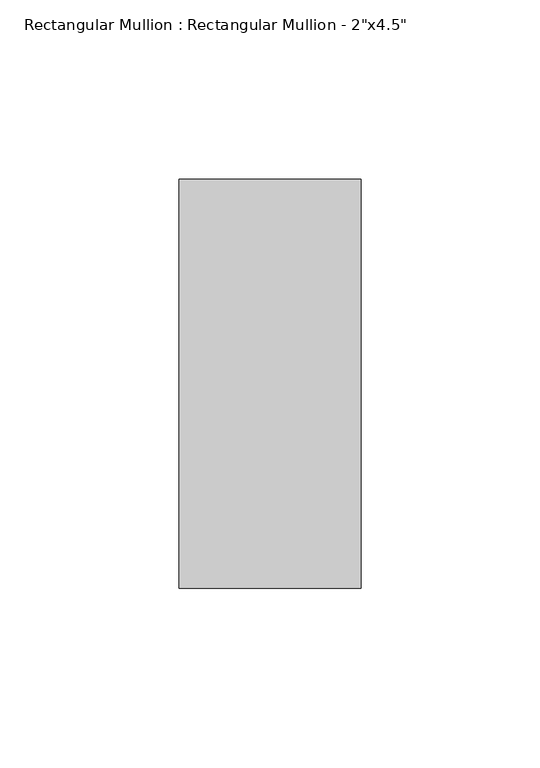
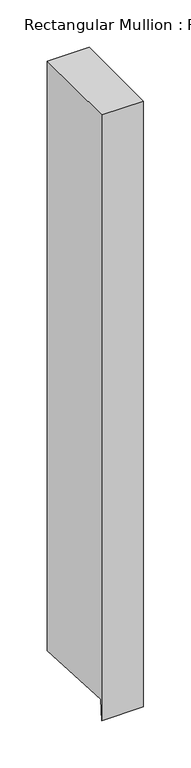
"""IFC4 building model written with IfcOpenShell, lengths in millimetres: member geometry."""

from ifc_helpers import new_model, si_unit, frame, origin, place, context, project, spatial, polyline, outline, extrude, source, transform, mapped, element, save


def member_dd9d1ee1(model_context):
    return source(origin(), model_context, "Body", "SweptSolid", [
        extrude(outline(polyline([(-57.15, 0.0), (57.15, 0.0), (57.15, -759.3770666), (-55.7174627, -753.3627036), (-57.15, -780.2461581), (-57.15, 0.0)])), frame((-50.8, 0.0, 0.0), z_axis=(1.0, 0.0, 0.0), x_axis=(0.0, 1.0, 0.0)), (0.0, 0.0, 1.0), 50.8),
    ])


if __name__ == "__main__":
    model = new_model("IFC4")
    model_context = context("Model", 3, world=origin())
    ifc_project = project(units=[si_unit("LENGTHUNIT", "METRE", prefix="MILLI")], contexts=[model_context])
    site = spatial("IfcSite", under=ifc_project)
    building = spatial("IfcBuilding", under=site)
    placement = place(None, origin())
    member_shape = member_dd9d1ee1(model_context)
    element("IfcMember", 1, ObjectType="Rectangular Mullion : Rectangular Mullion - 2\"x4.5\"", at=placement, inside=building, context=model_context, shape_type="MappedRepresentation", body=[
        mapped(member_shape, transform((0.0, 0.0, 0.0), x_axis=(1.0, 0.0, 0.0), y_axis=(0.0, 1.0, 0.0), z_axis=(0.0, 0.0, 1.0))),
    ])
    save(model, "model.ifc")
